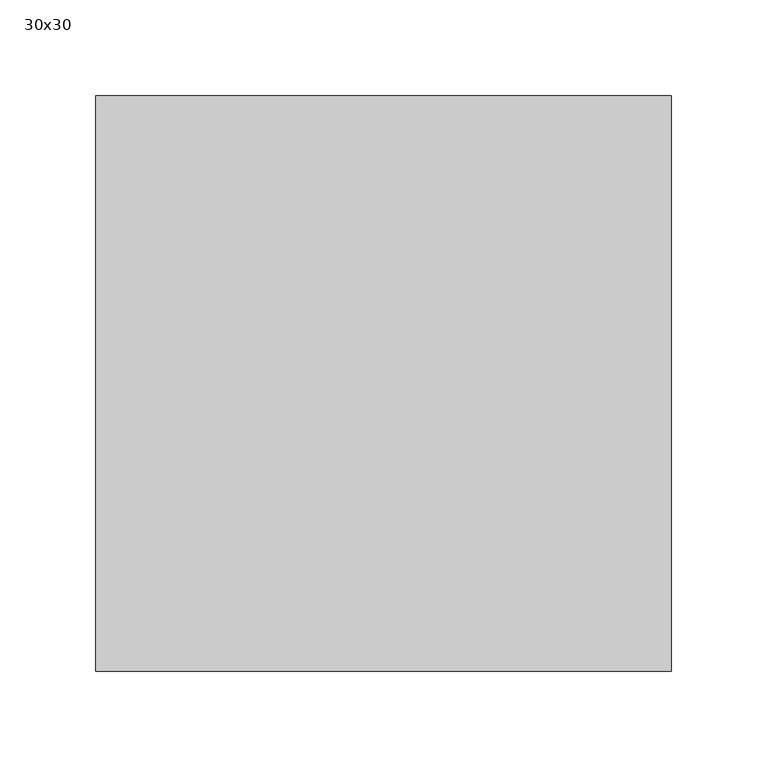
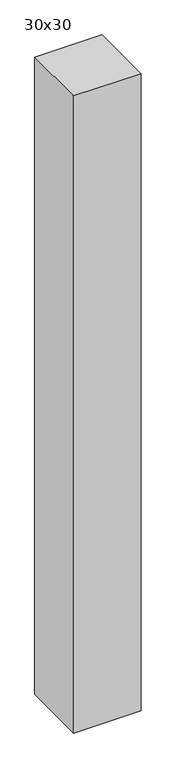
"""IFC4 building model written with IfcOpenShell, lengths in millimetres: proxy geometry, 30x30."""

from ifc_helpers import new_model, si_unit, origin, origin_with_axes, place, context, project, spatial, polyline, outline, extrude, source, transform, mapped, element, save


def proxy_30x30_ca8879c2(model_context):
    return source(origin(), model_context, "Body", "SweptSolid", [
        extrude(outline(polyline([(3107.3826163, -1200.0), (3407.3826163, -1200.0), (3407.3826163, -1500.0), (3107.3826163, -1500.0), (3107.3826163, -1200.0)])), origin_with_axes(), (0.0, 0.0, 1.0), 3000.0),
    ])


if __name__ == "__main__":
    model = new_model("IFC4")
    model_context = context("Model", 3, world=origin())
    ifc_project = project(units=[si_unit("LENGTHUNIT", "METRE", prefix="MILLI")], contexts=[model_context])
    site = spatial("IfcSite", under=ifc_project)
    building = spatial("IfcBuilding", under=site)
    placement = place(None, origin())
    proxy_30x30_shape = proxy_30x30_ca8879c2(model_context)
    element("IfcBuildingElementProxy", 1, Name="30x30", ObjectType="30x30", at=placement, inside=building, context=model_context, shape_type="MappedRepresentation", body=[
        mapped(proxy_30x30_shape, transform((0.0, 0.0, 0.0), x_axis=(1.0, 0.0, 0.0), y_axis=(0.0, 1.0, 0.0), z_axis=(0.0, 0.0, 1.0))),
    ])
    save(model, "model.ifc")
